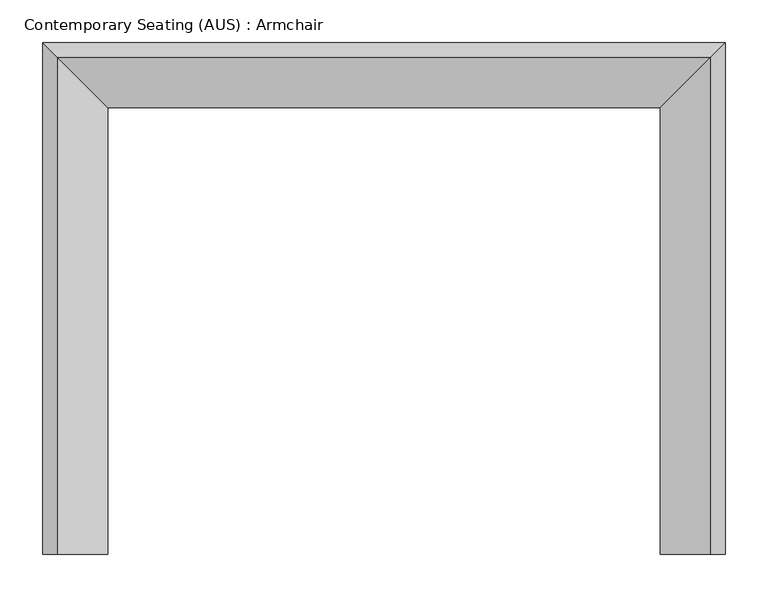
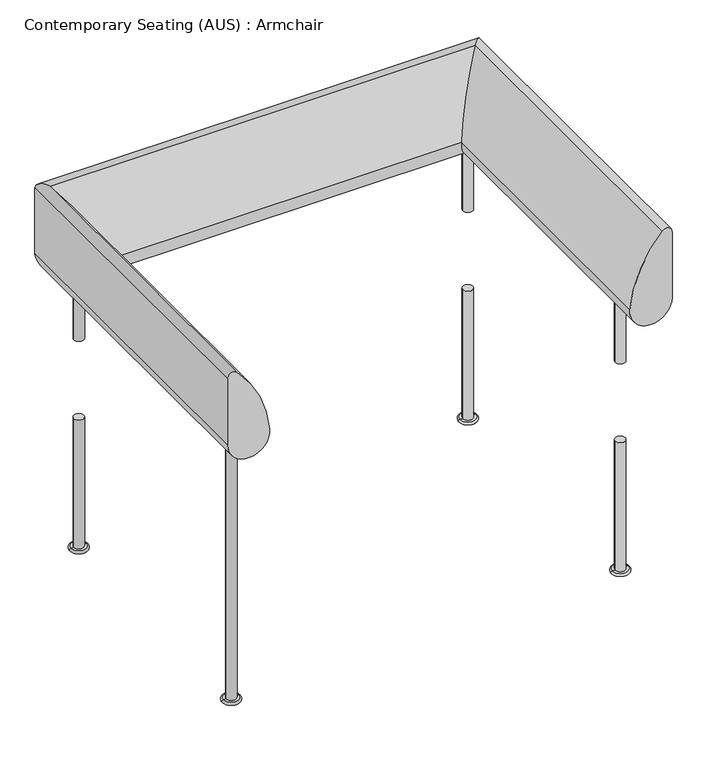
"""IFC4 building model written with IfcOpenShell, lengths in millimetres: furniture geometry, Contemporary Seating (AUS) : Armchair."""

from ifc_helpers import new_model, si_unit, point, frame, origin, place, context, project, spatial, circle_curve, ellipse_curve, trimmed, source, transform, mapped, element, save
from ifc_brep_helpers import plane_surface, cylinder_surface, revolved_surface, advanced_brep


def contemporary_seating_aus_armchair_88942494(model_context):
    return source(origin(), model_context, "Body", "AdvancedBrep", [
        advanced_brep(
        [(462.3811933, -50.0, 5.0), (480.3811933, -50.0, 5.0), (480.3811933, -50.0, 250.0), (462.3811933, -50.0, 250.0), (457.3811933, -50.0, 5.0), (485.3811933, -50.0, 5.0), (457.3811933, -50.0, 0.0), (485.3811933, -50.0, 0.0), (471.3811933, -50.0, 0.0)],
        [
            (0, 1, circle_curve(frame((471.3811933, -50.0, 5.0), z_axis=(0.0, 0.0, 1.0), x_axis=(1.0, 0.0, 0.0)), 9.0)),
            (1, 2),
            (2, 3, circle_curve(frame((471.3811933, -50.0, 250.0), z_axis=(0.0, 0.0, -1.0), x_axis=(1.0, 0.0, 0.0)), 9.0)),
            (3, 0),
            (1, 0, circle_curve(frame((471.3811933, -50.0, 5.0), z_axis=(0.0, 0.0, 1.0), x_axis=(1.0, 0.0, 0.0)), 9.0)),
            (3, 2, circle_curve(frame((471.3811933, -50.0, 250.0), z_axis=(0.0, 0.0, -1.0), x_axis=(1.0, 0.0, 0.0)), 9.0)),
            (0, 4),
            (4, 5, circle_curve(frame((471.3811933, -50.0, 5.0), z_axis=(0.0, 0.0, 1.0), x_axis=(1.0, 0.0, 0.0)), 14.0)),
            (5, 1),
            (5, 4, circle_curve(frame((471.3811933, -50.0, 5.0), z_axis=(0.0, 0.0, 1.0), x_axis=(1.0, 0.0, 0.0)), 14.0)),
            (4, 6, circle_curve(frame((457.3811933, -50.0, 2.5), z_axis=(0.0, -1.0, 0.0), x_axis=(1.0, 0.0, 0.0)), 2.5)),
            (6, 7, circle_curve(frame((471.3811933, -50.0, 0.0), z_axis=(0.0, 0.0, 1.0), x_axis=(1.0, 0.0, 0.0)), 14.0)),
            (7, 5, circle_curve(frame((485.3811933, -50.0, 2.5), z_axis=(0.0, -1.0, 0.0), x_axis=(-1.0, 0.0, 0.0)), 2.5)),
            (7, 6, circle_curve(frame((471.3811933, -50.0, 0.0), z_axis=(0.0, 0.0, 1.0), x_axis=(1.0, 0.0, 0.0)), 14.0)),
            (6, 8),
            (8, 7),
        ],
        [
            cylinder_surface(frame((471.3811933, -50.0, -55.0), z_axis=(0.0, 0.0, -1.0), x_axis=(1.0, 0.0, 0.0)), 9.0),
            plane_surface(frame((471.3811933, -50.0, 5.0), z_axis=(0.0, 0.0, 1.0), x_axis=(1.0, 0.0, 0.0))),
            revolved_surface(trimmed(ellipse_curve(frame((485.3811933, -50.0, 2.5), z_axis=(0.0, 1.0, 0.0), x_axis=(-1.0, 0.0, 0.0)), 2.5, 2.5), [point((485.3811933, -50.0, 5.0))], [point((485.3811933, -50.0, 0.0))], True, "CARTESIAN"), (471.3811933, -50.0, -55.0), (0.0, 0.0, -1.0)),
            plane_surface(frame((471.3811933, -50.0, 0.0), z_axis=(0.0, 0.0, -1.0), x_axis=(1.0, 0.0, 0.0))),
            plane_surface(frame((-219.6188067, -50.0, 250.0), z_axis=(0.0, 0.0, 1.0), x_axis=(0.0, -1.0, 0.0))),
        ],
        [
            (0, [[1, 2, 3, 4]]),
            (0, [[5, -4, 6, -2]]),
            (1, [[-1, 7, 8, 9]]),
            (1, [[-5, -9, 10, -7]]),
            (2, [[-8, 11, 12, 13]]),
            (2, [[-10, -13, 14, -11]]),
            (3, [[-12, 15, 16]]),
            (3, [[-14, -16, -15]]),
            (4, [[-3, -6]]),
        ],
    ),
        advanced_brep(
        [(480.3811933, -50.0, 534.0188008), (462.3811933, -50.0, 534.0188008), (462.3811933, -50.0, 400.0), (480.3811933, -50.0, 400.0), (471.3811933, -50.0, 534.0188008)],
        [
            (0, 1, circle_curve(frame((471.3811933, -50.0, 534.0188008), z_axis=(0.0, 0.0, -1.0), x_axis=(1.0, 0.0, 0.0)), 9.0)),
            (1, 2),
            (2, 3, circle_curve(frame((471.3811933, -50.0, 400.0), z_axis=(0.0, 0.0, 1.0), x_axis=(1.0, 0.0, 0.0)), 9.0)),
            (3, 0),
            (1, 0, circle_curve(frame((471.3811933, -50.0, 534.0188008), z_axis=(0.0, 0.0, -1.0), x_axis=(1.0, 0.0, 0.0)), 9.0)),
            (3, 2, circle_curve(frame((471.3811933, -50.0, 400.0), z_axis=(0.0, 0.0, 1.0), x_axis=(1.0, 0.0, 0.0)), 9.0)),
            (0, 4),
            (4, 1),
        ],
        [
            cylinder_surface(frame((471.3811933, -50.0, -55.0), z_axis=(0.0, 0.0, -1.0), x_axis=(1.0, 0.0, 0.0)), 9.0),
            plane_surface(frame((471.3811933, -50.0, 534.0188008), z_axis=(0.0, 0.0, 1.0), x_axis=(1.0, 0.0, 0.0))),
            plane_surface(frame((-219.6188067, -50.0, 400.0), z_axis=(0.0, 0.0, -1.0), x_axis=(0.0, 1.0, 0.0))),
        ],
        [
            (0, [[1, 2, 3, 4]]),
            (0, [[5, -4, 6, -2]]),
            (1, [[-1, 7, 8]]),
            (1, [[-5, -8, -7]]),
            (2, [[-3, -6]]),
        ],
    ),
        advanced_brep(
        [(-228.6188067, -50.0, 534.0188008), (-237.6188067, -50.0, 534.0188008), (-219.6188067, -50.0, 534.0188008), (-237.6188067, -50.0, 400.0), (-219.6188067, -50.0, 400.0)],
        [
            (0, 1),
            (1, 2, circle_curve(frame((-228.6188067, -50.0, 534.0188008), z_axis=(0.0, 0.0, 1.0), x_axis=(-1.0, 0.0, 0.0)), 9.0)),
            (2, 0),
            (2, 1, circle_curve(frame((-228.6188067, -50.0, 534.0188008), z_axis=(0.0, 0.0, 1.0), x_axis=(-1.0, 0.0, 0.0)), 9.0)),
            (1, 3),
            (3, 4, circle_curve(frame((-228.6188067, -50.0, 400.0), z_axis=(0.0, 0.0, 1.0), x_axis=(-1.0, 0.0, 0.0)), 9.0)),
            (4, 2),
            (4, 3, circle_curve(frame((-228.6188067, -50.0, 400.0), z_axis=(0.0, 0.0, 1.0), x_axis=(-1.0, 0.0, 0.0)), 9.0)),
        ],
        [
            plane_surface(frame((-228.6188067, -50.0, 534.0188008), z_axis=(0.0, 0.0, 1.0), x_axis=(-1.0, 0.0, 0.0))),
            cylinder_surface(frame((-228.6188067, -50.0, -55.0), z_axis=(0.0, 0.0, 1.0), x_axis=(-1.0, 0.0, 0.0)), 9.0),
            plane_surface(frame((-219.6188067, -50.0, 400.0), z_axis=(0.0, 0.0, -1.0), x_axis=(0.0, 1.0, 0.0))),
        ],
        [
            (0, [[1, 2, 3]]),
            (0, [[-1, -3, 4]]),
            (1, [[-2, 5, 6, 7]]),
            (1, [[-4, -7, 8, -5]]),
            (2, [[-6, -8]]),
        ],
    ),
        advanced_brep(
        [(-214.6188067, -50.0, 0.0), (-242.6188067, -50.0, 0.0), (-228.6188067, -50.0, 0.0), (-214.6188067, -50.0, 5.0), (-242.6188067, -50.0, 5.0), (-219.6188067, -50.0, 5.0), (-237.6188067, -50.0, 5.0), (-219.6188067, -50.0, 250.0), (-237.6188067, -50.0, 250.0)],
        [
            (0, 1, circle_curve(frame((-228.6188067, -50.0, 0.0), z_axis=(0.0, 0.0, -1.0), x_axis=(-1.0, 0.0, 0.0)), 14.0)),
            (1, 2),
            (2, 0),
            (1, 0, circle_curve(frame((-228.6188067, -50.0, 0.0), z_axis=(0.0, 0.0, -1.0), x_axis=(-1.0, 0.0, 0.0)), 14.0)),
            (0, 3, circle_curve(frame((-214.6188067, -50.0, 2.5), z_axis=(0.0, -1.0, 0.0), x_axis=(1.0, 0.0, 0.0)), 2.5)),
            (3, 4, circle_curve(frame((-228.6188067, -50.0, 5.0), z_axis=(0.0, 0.0, -1.0), x_axis=(-1.0, 0.0, 0.0)), 14.0)),
            (4, 1, circle_curve(frame((-242.6188067, -50.0, 2.5), z_axis=(0.0, -1.0, 0.0), x_axis=(-1.0, 0.0, 0.0)), 2.5)),
            (4, 3, circle_curve(frame((-228.6188067, -50.0, 5.0), z_axis=(0.0, 0.0, -1.0), x_axis=(-1.0, 0.0, 0.0)), 14.0)),
            (3, 5),
            (5, 6, circle_curve(frame((-228.6188067, -50.0, 5.0), z_axis=(0.0, 0.0, -1.0), x_axis=(-1.0, 0.0, 0.0)), 9.0)),
            (6, 4),
            (6, 5, circle_curve(frame((-228.6188067, -50.0, 5.0), z_axis=(0.0, 0.0, -1.0), x_axis=(-1.0, 0.0, 0.0)), 9.0)),
            (5, 7),
            (7, 8, circle_curve(frame((-228.6188067, -50.0, 250.0), z_axis=(0.0, 0.0, -1.0), x_axis=(-1.0, 0.0, 0.0)), 9.0)),
            (8, 6),
            (8, 7, circle_curve(frame((-228.6188067, -50.0, 250.0), z_axis=(0.0, 0.0, -1.0), x_axis=(-1.0, 0.0, 0.0)), 9.0)),
        ],
        [
            plane_surface(frame((-228.6188067, -50.0, 0.0), z_axis=(0.0, 0.0, -1.0), x_axis=(-1.0, 0.0, 0.0))),
            revolved_surface(trimmed(ellipse_curve(frame((-242.6188067, -50.0, 2.5), z_axis=(0.0, 1.0, 0.0), x_axis=(-1.0, 0.0, 0.0)), 2.5, 2.5), [point((-242.6188067, -50.0, 0.0))], [point((-242.6188067, -50.0, 5.0))], True, "CARTESIAN"), (-228.6188067, -50.0, -55.0), (0.0, 0.0, 1.0)),
            plane_surface(frame((-228.6188067, -50.0, 5.0), z_axis=(0.0, 0.0, 1.0), x_axis=(-1.0, 0.0, 0.0))),
            cylinder_surface(frame((-228.6188067, -50.0, -55.0), z_axis=(0.0, 0.0, 1.0), x_axis=(-1.0, 0.0, 0.0)), 9.0),
            plane_surface(frame((-219.6188067, -50.0, 250.0), z_axis=(0.0, 0.0, 1.0), x_axis=(0.0, -1.0, 0.0))),
        ],
        [
            (0, [[1, 2, 3]]),
            (0, [[-2, 4, -3]]),
            (1, [[-1, 5, 6, 7]]),
            (1, [[-4, -7, 8, -5]]),
            (2, [[-6, 9, 10, 11]]),
            (2, [[-8, -11, 12, -9]]),
            (3, [[-10, 13, 14, 15]]),
            (3, [[-12, -15, 16, -13]]),
            (4, [[-14, -16]]),
        ],
    ),
        advanced_brep(
        [(462.3811933, -525.0, 5.0), (480.3811933, -525.0, 5.0), (480.3811933, -525.0, 250.0), (462.3811933, -525.0, 250.0), (457.3811933, -525.0, 5.0), (485.3811933, -525.0, 5.0), (457.3811933, -525.0, 0.0), (485.3811933, -525.0, 0.0), (471.3811933, -525.0, 0.0)],
        [
            (0, 1, circle_curve(frame((471.3811933, -525.0, 5.0), z_axis=(0.0, 0.0, 1.0), x_axis=(1.0, 0.0, 0.0)), 9.0)),
            (1, 2),
            (2, 3, circle_curve(frame((471.3811933, -525.0, 250.0), z_axis=(0.0, 0.0, -1.0), x_axis=(1.0, 0.0, 0.0)), 9.0)),
            (3, 0),
            (1, 0, circle_curve(frame((471.3811933, -525.0, 5.0), z_axis=(0.0, 0.0, 1.0), x_axis=(1.0, 0.0, 0.0)), 9.0)),
            (3, 2, circle_curve(frame((471.3811933, -525.0, 250.0), z_axis=(0.0, 0.0, -1.0), x_axis=(1.0, 0.0, 0.0)), 9.0)),
            (0, 4),
            (4, 5, circle_curve(frame((471.3811933, -525.0, 5.0), z_axis=(0.0, 0.0, 1.0), x_axis=(1.0, 0.0, 0.0)), 14.0)),
            (5, 1),
            (5, 4, circle_curve(frame((471.3811933, -525.0, 5.0), z_axis=(0.0, 0.0, 1.0), x_axis=(1.0, 0.0, 0.0)), 14.0)),
            (4, 6, circle_curve(frame((457.3811933, -525.0, 2.5), z_axis=(0.0, -1.0, 0.0), x_axis=(-1.0, 0.0, 0.0)), 2.5)),
            (6, 7, circle_curve(frame((471.3811933, -525.0, 0.0), z_axis=(0.0, 0.0, 1.0), x_axis=(1.0, 0.0, 0.0)), 14.0)),
            (7, 5, circle_curve(frame((485.3811933, -525.0, 2.5), z_axis=(0.0, -1.0, 0.0), x_axis=(1.0, 0.0, 0.0)), 2.5)),
            (7, 6, circle_curve(frame((471.3811933, -525.0, 0.0), z_axis=(0.0, 0.0, 1.0), x_axis=(1.0, 0.0, 0.0)), 14.0)),
            (6, 8),
            (8, 7),
        ],
        [
            cylinder_surface(frame((471.3811933, -525.0, -55.0), z_axis=(0.0, 0.0, -1.0), x_axis=(1.0, 0.0, 0.0)), 9.0),
            plane_surface(frame((471.3811933, -525.0, 5.0), z_axis=(0.0, 0.0, 1.0), x_axis=(1.0, 0.0, 0.0))),
            revolved_surface(trimmed(ellipse_curve(frame((485.3811933, -525.0, 2.5), z_axis=(0.0, 1.0, 0.0), x_axis=(1.0, 0.0, 0.0)), 2.5, 2.5), [point((485.3811933, -525.0, 5.0))], [point((485.3811933, -525.0, 0.0))], True, "CARTESIAN"), (471.3811933, -525.0, -55.0), (0.0, 0.0, -1.0)),
            plane_surface(frame((471.3811933, -525.0, 0.0), z_axis=(0.0, 0.0, -1.0), x_axis=(1.0, 0.0, 0.0))),
            plane_surface(frame((-219.6188067, -50.0, 250.0), z_axis=(0.0, 0.0, 1.0), x_axis=(0.0, -1.0, 0.0))),
        ],
        [
            (0, [[1, 2, 3, 4]]),
            (0, [[5, -4, 6, -2]]),
            (1, [[-1, 7, 8, 9]]),
            (1, [[-5, -9, 10, -7]]),
            (2, [[-8, 11, 12, 13]]),
            (2, [[-10, -13, 14, -11]]),
            (3, [[-12, 15, 16]]),
            (3, [[-14, -16, -15]]),
            (4, [[-3, -6]]),
        ],
    ),
        advanced_brep(
        [(480.3811933, -525.0, 534.0188008), (462.3811933, -525.0, 534.0188008), (462.3811933, -525.0, 400.0), (480.3811933, -525.0, 400.0), (471.3811933, -525.0, 534.0188008)],
        [
            (0, 1, circle_curve(frame((471.3811933, -525.0, 534.0188008), z_axis=(0.0, 0.0, -1.0), x_axis=(1.0, 0.0, 0.0)), 9.0)),
            (1, 2),
            (2, 3, circle_curve(frame((471.3811933, -525.0, 400.0), z_axis=(0.0, 0.0, 1.0), x_axis=(1.0, 0.0, 0.0)), 9.0)),
            (3, 0),
            (1, 0, circle_curve(frame((471.3811933, -525.0, 534.0188008), z_axis=(0.0, 0.0, -1.0), x_axis=(1.0, 0.0, 0.0)), 9.0)),
            (3, 2, circle_curve(frame((471.3811933, -525.0, 400.0), z_axis=(0.0, 0.0, 1.0), x_axis=(1.0, 0.0, 0.0)), 9.0)),
            (0, 4),
            (4, 1),
        ],
        [
            cylinder_surface(frame((471.3811933, -525.0, -55.0), z_axis=(0.0, 0.0, -1.0), x_axis=(1.0, 0.0, 0.0)), 9.0),
            plane_surface(frame((471.3811933, -525.0, 534.0188008), z_axis=(0.0, 0.0, 1.0), x_axis=(1.0, 0.0, 0.0))),
            plane_surface(frame((-219.6188067, -50.0, 400.0), z_axis=(0.0, 0.0, -1.0), x_axis=(0.0, 1.0, 0.0))),
        ],
        [
            (0, [[1, 2, 3, 4]]),
            (0, [[5, -4, 6, -2]]),
            (1, [[-1, 7, 8]]),
            (1, [[-5, -8, -7]]),
            (2, [[-3, -6]]),
        ],
    ),
        advanced_brep(
        [(-228.6188067, -525.0, 534.0188008), (-237.6188067, -525.0, 534.0188008), (-219.6188067, -525.0, 534.0188008), (-214.6188067, -525.0, 0.0), (-242.6188067, -525.0, 0.0), (-228.6188067, -525.0, 0.0), (-214.6188067, -525.0, 5.0), (-242.6188067, -525.0, 5.0), (-219.6188067, -525.0, 5.0), (-237.6188067, -525.0, 5.0)],
        [
            (0, 1),
            (1, 2, circle_curve(frame((-228.6188067, -525.0, 534.0188008), z_axis=(0.0, 0.0, 1.0), x_axis=(-1.0, 0.0, 0.0)), 9.0)),
            (2, 0),
            (2, 1, circle_curve(frame((-228.6188067, -525.0, 534.0188008), z_axis=(0.0, 0.0, 1.0), x_axis=(-1.0, 0.0, 0.0)), 9.0)),
            (3, 4, circle_curve(frame((-228.6188067, -525.0, 0.0), z_axis=(0.0, 0.0, -1.0), x_axis=(-1.0, 0.0, 0.0)), 14.0)),
            (4, 5),
            (5, 3),
            (4, 3, circle_curve(frame((-228.6188067, -525.0, 0.0), z_axis=(0.0, 0.0, -1.0), x_axis=(-1.0, 0.0, 0.0)), 14.0)),
            (6, 7, circle_curve(frame((-228.6188067, -525.0, 5.0), z_axis=(0.0, 0.0, -1.0), x_axis=(-1.0, 0.0, 0.0)), 14.0)),
            (7, 4, circle_curve(frame((-242.6188067, -525.0, 2.5), z_axis=(0.0, -1.0, 0.0), x_axis=(-1.0, 0.0, 0.0)), 2.5)),
            (3, 6, circle_curve(frame((-214.6188067, -525.0, 2.5), z_axis=(0.0, -1.0, 0.0), x_axis=(1.0, 0.0, 0.0)), 2.5)),
            (7, 6, circle_curve(frame((-228.6188067, -525.0, 5.0), z_axis=(0.0, 0.0, -1.0), x_axis=(-1.0, 0.0, 0.0)), 14.0)),
            (8, 9, circle_curve(frame((-228.6188067, -525.0, 5.0), z_axis=(0.0, 0.0, -1.0), x_axis=(-1.0, 0.0, 0.0)), 9.0)),
            (9, 7),
            (6, 8),
            (9, 8, circle_curve(frame((-228.6188067, -525.0, 5.0), z_axis=(0.0, 0.0, -1.0), x_axis=(-1.0, 0.0, 0.0)), 9.0)),
            (1, 9),
            (8, 2),
        ],
        [
            plane_surface(frame((-228.6188067, -525.0, 534.0188008), z_axis=(0.0, 0.0, 1.0), x_axis=(-1.0, 0.0, 0.0))),
            plane_surface(frame((-228.6188067, -525.0, 0.0), z_axis=(0.0, 0.0, -1.0), x_axis=(-1.0, 0.0, 0.0))),
            revolved_surface(trimmed(ellipse_curve(frame((-242.6188067, -525.0, 2.5), z_axis=(0.0, 1.0, 0.0), x_axis=(-1.0, 0.0, 0.0)), 2.5, 2.5), [point((-242.6188067, -525.0, 0.0))], [point((-242.6188067, -525.0, 5.0))], True, "CARTESIAN"), (-228.6188067, -525.0, -55.0), (0.0, 0.0, 1.0)),
            plane_surface(frame((-228.6188067, -525.0, 5.0), z_axis=(0.0, 0.0, 1.0), x_axis=(-1.0, 0.0, 0.0))),
            cylinder_surface(frame((-228.6188067, -525.0, -55.0), z_axis=(0.0, 0.0, 1.0), x_axis=(-1.0, 0.0, 0.0)), 9.0),
        ],
        [
            (0, [[1, 2, 3]]),
            (0, [[-3, 4, -1]]),
            (1, [[5, 6, 7]]),
            (1, [[8, -7, -6]]),
            (2, [[9, 10, -5, 11]]),
            (2, [[12, -11, -8, -10]]),
            (3, [[13, 14, -9, 15]]),
            (3, [[16, -15, -12, -14]]),
            (4, [[-2, 17, -13, 18]]),
            (4, [[-4, -18, -16, -17]]),
        ],
    ),
        advanced_brep(
        [(521.3811933, -600.0, 547.957521), (521.3811933, -600.0, 673.2146017), (504.1694752, -600.0, 680.1421642), (445.3649894, -600.0, 551.4545071), (521.3811933, 0.0, 547.957521), (521.3811933, 0.0, 673.2146017), (504.1694752, -17.2117181, 680.1421642), (445.3649894, -76.0162039, 551.4545071), (-278.6188067, 0.0, 547.957521), (-278.6188067, 0.0, 673.2146017), (-261.4070886, -17.2117181, 680.1421642), (-202.6026028, -76.0162039, 551.4545071), (-278.6188067, -600.0, 547.957521), (-202.6026028, -600.0, 551.4545071), (-261.4070886, -600.0, 680.1421642), (-278.6188067, -600.0, 673.2146017)],
        [
            (0, 1),
            (1, 2, circle_curve(frame((511.3811933, -600.0, 673.2146017), z_axis=(0.0, -1.0, 0.0), x_axis=(-1.0, 0.0, 0.0)), 10.0)),
            (2, 3, circle_curve(frame((658.6029618, -600.0, 531.793655), z_axis=(0.0, -1.0, 0.0), x_axis=(-1.0, 0.0, 0.0)), 214.1424338)),
            (3, 0, circle_curve(frame((483.2926551, -600.0, 547.957521), z_axis=(0.0, -1.0, 0.0), x_axis=(-1.0, 0.0, 0.0)), 38.0885381)),
            (0, 4),
            (4, 5),
            (5, 1),
            (5, 6, ellipse_curve(frame((511.3811933, -10.0, 673.2146017), z_axis=(0.7071067811865475, -0.7071067811865475, 0.0), x_axis=(-0.7071067811865474, -0.7071067811865476, 0.0)), 14.1421356, 10.0)),
            (6, 2),
            (6, 7, ellipse_curve(frame((658.6029618, 137.2217685, 531.793655), z_axis=(0.7071067811865475, -0.7071067811865475, 0.0), x_axis=(-0.7071067811865474, -0.7071067811865476, 0.0)), 302.8431341, 214.1424338)),
            (7, 3),
            (7, 4, ellipse_curve(frame((483.2926551, -38.0885381, 547.957521), z_axis=(0.7071067811865475, -0.7071067811865475, 0.0), x_axis=(-0.7071067811865474, -0.7071067811865476, 0.0)), 53.8653272, 38.0885381)),
            (4, 8),
            (8, 9),
            (9, 5),
            (9, 10, ellipse_curve(frame((-268.6188067, -10.0, 673.2146017), z_axis=(0.7071067811865475, 0.7071067811865475, 0.0), x_axis=(0.7071067811865476, -0.7071067811865474, 0.0)), 14.1421356, 10.0)),
            (10, 6),
            (10, 11, ellipse_curve(frame((-415.8405752, 137.2217685, 531.793655), z_axis=(0.7071067811865475, 0.7071067811865475, 0.0), x_axis=(0.7071067811865476, -0.7071067811865474, 0.0)), 302.8431341, 214.1424338)),
            (11, 7),
            (11, 8, ellipse_curve(frame((-240.5302686, -38.0885381, 547.957521), z_axis=(0.7071067811865475, 0.7071067811865475, 0.0), x_axis=(0.7071067811865476, -0.7071067811865474, 0.0)), 53.8653272, 38.0885381)),
            (12, 13, circle_curve(frame((-240.5302686, -600.0, 547.957521), z_axis=(0.0, -1.0, 0.0), x_axis=(1.0, 0.0, 0.0)), 38.0885381)),
            (13, 14, circle_curve(frame((-415.8405752, -600.0, 531.793655), z_axis=(0.0, -1.0, 0.0), x_axis=(1.0, 0.0, 0.0)), 214.1424338)),
            (14, 15, circle_curve(frame((-268.6188067, -600.0, 673.2146017), z_axis=(0.0, -1.0, 0.0), x_axis=(1.0, 0.0, 0.0)), 10.0)),
            (15, 12),
            (8, 12),
            (15, 9),
            (14, 10),
            (13, 11),
        ],
        [
            plane_surface(frame((521.3811933, -600.0, 400.0), z_axis=(0.0, -1.0, 0.0), x_axis=(0.0, 0.0, 1.0))),
            plane_surface(frame((521.3811933, -600.0, 547.957521), z_axis=(1.0, 0.0, 0.0), x_axis=(0.0, 1.0, 0.0))),
            cylinder_surface(frame((511.3811933, -600.0, 673.2146017), z_axis=(0.0, -1.0, 0.0), x_axis=(-1.0, 0.0, 0.0)), 10.0),
            cylinder_surface(frame((658.6029618, -600.0, 531.793655), z_axis=(0.0, -1.0, 0.0), x_axis=(-1.0, 0.0, 0.0)), 214.1424338),
            cylinder_surface(frame((483.2926551, -600.0, 547.957521), z_axis=(0.0, -1.0, 0.0), x_axis=(-1.0, 0.0, 0.0)), 38.0885381),
            plane_surface(frame((521.3811933, 0.0, 547.957521), z_axis=(0.0, 1.0, 0.0), x_axis=(-1.0, 0.0, 0.0))),
            cylinder_surface(frame((521.3811933, -10.0, 673.2146017), z_axis=(1.0, 0.0, 0.0), x_axis=(0.0, -1.0, 0.0)), 10.0),
            cylinder_surface(frame((521.3811933, 137.2217685, 531.793655), z_axis=(1.0, 0.0, 0.0), x_axis=(0.0, -1.0, 0.0)), 214.1424338),
            cylinder_surface(frame((521.3811933, -38.0885381, 547.957521), z_axis=(1.0, 0.0, 0.0), x_axis=(0.0, -1.0, 0.0)), 38.0885381),
            plane_surface(frame((-278.6188067, -600.0, 400.0), z_axis=(0.0, -1.0, 0.0), x_axis=(0.0, 0.0, 1.0))),
            plane_surface(frame((-278.6188067, 0.0, 547.957521), z_axis=(-1.0, 0.0, 0.0), x_axis=(0.0, -1.0, 0.0))),
            cylinder_surface(frame((-268.6188067, 0.0, 673.2146017), z_axis=(0.0, 1.0, 0.0), x_axis=(1.0, 0.0, 0.0)), 10.0),
            cylinder_surface(frame((-415.8405752, 0.0, 531.793655), z_axis=(0.0, 1.0, 0.0), x_axis=(1.0, 0.0, 0.0)), 214.1424338),
            cylinder_surface(frame((-240.5302686, 0.0, 547.957521), z_axis=(0.0, 1.0, 0.0), x_axis=(1.0, 0.0, 0.0)), 38.0885381),
        ],
        [
            (0, [[1, 2, 3, 4]]),
            (1, [[-1, 5, 6, 7]]),
            (2, [[-2, -7, 8, 9]]),
            (3, [[-3, -9, 10, 11]]),
            (4, [[-4, -11, 12, -5]]),
            (5, [[-6, 13, 14, 15]]),
            (6, [[-8, -15, 16, 17]]),
            (7, [[-10, -17, 18, 19]]),
            (8, [[-12, -19, 20, -13]]),
            (9, [[21, 22, 23, 24]]),
            (10, [[-14, 25, -24, 26]]),
            (11, [[-16, -26, -23, 27]]),
            (12, [[-18, -27, -22, 28]]),
            (13, [[-20, -28, -21, -25]]),
        ],
    ),
    ])


if __name__ == "__main__":
    model = new_model("IFC4")
    model_context = context("Model", 3, world=origin())
    ifc_project = project(units=[si_unit("LENGTHUNIT", "METRE", prefix="MILLI")], contexts=[model_context])
    site = spatial("IfcSite", under=ifc_project)
    building = spatial("IfcBuilding", under=site)
    placement = place(None, origin())
    contemporary_seating_aus_armchair_shape = contemporary_seating_aus_armchair_88942494(model_context)
    element("IfcFurniture", 1, ObjectType="Contemporary Seating (AUS) : Armchair", at=placement, inside=building, context=model_context, shape_type="MappedRepresentation", body=[
        mapped(contemporary_seating_aus_armchair_shape, transform((0.0, 0.0, 0.0), x_axis=(1.0, 0.0, 0.0), y_axis=(0.0, 1.0, 0.0), z_axis=(0.0, 0.0, 1.0))),
    ])
    save(model, "model.ifc")
